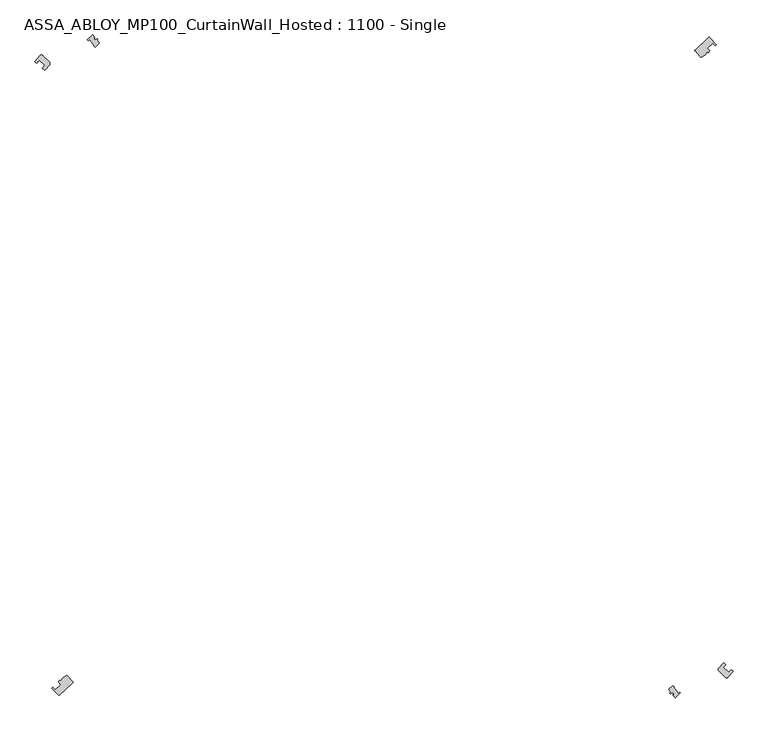
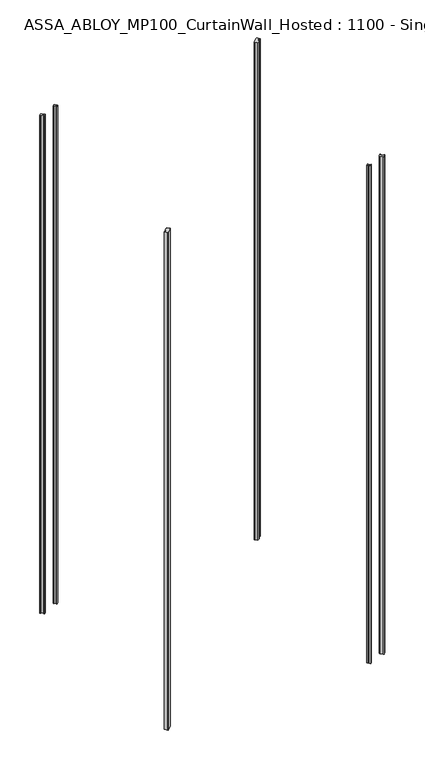
"""IFC4 building model written with IfcOpenShell, lengths in millimetres: plate geometry, ASSA_ABLOY_MP100_CurtainWall_Hosted : 1100 - Single."""

from ifc_helpers import new_model, si_unit, point, frame_2d, origin, origin_with_axes, origin_2d, place, context, project, spatial, polyline, circle_curve, trimmed, segment, composite_curve, outline, extrude, source, transform, mapped, element, save


def assa_abloy_mp100_curtainwall_hosted_1100_single_586d2e13(model_context):
    return source(origin(), model_context, "Body", "SweptSolid", [
        extrude(outline(composite_curve([segment(polyline([(582.351798, 591.9680343), (607.5600955, 615.8230949)]), True, "CONTINUOUS"), segment(trimmed(circle_curve(frame_2d((608.2474379, 615.0967613)), 1.0), [point((607.5600955, 615.8230949))], [point((608.9505677, 615.8078228))], False, "CARTESIAN"), True, "CONTINUOUS"), segment(trimmed(circle_curve(frame_2d((1.0606602, 1.0606602)), 864.5485606), [point((608.9505677, 615.8078228))], [point((622.2818351, 602.3330323))], False, "CARTESIAN"), True, "CONTINUOUS"), segment(polyline([(622.2818351, 602.3330323), (620.1261858, 600.2466056)]), True, "CONTINUOUS"), segment(trimmed(circle_curve(frame_2d((1.0606602, 1.0606602)), 861.5485606), [point((620.1261858, 600.2466056))], [point((615.2374232, 605.2566764))], True, "CARTESIAN"), True, "CONTINUOUS"), segment(polyline([(615.2374232, 605.2566764), (605.1773888, 595.5196922)]), True, "CONTINUOUS"), segment(trimmed(circle_curve(frame_2d((1.0606602, 1.0606602)), 847.5485606), [point((605.1773888, 595.5196922))], [point((610.0664889, 590.5099482))], False, "CARTESIAN"), True, "CONTINUOUS"), segment(polyline([(610.0664889, 590.5099482), (606.5953491, 587.1502744), (605.1105308, 588.7230261), (601.1139654, 583.6223328)]), True, "CONTINUOUS"), segment(trimmed(circle_curve(frame_2d((597.9653595, 586.0893718)), 4.0), [point((601.1139654, 583.6223328))], [point((600.2550939, 582.8095674))], False, "CARTESIAN"), True, "CONTINUOUS"), segment(polyline([(600.2550939, 582.8095674), (594.308426, 578.658012)]), True, "CONTINUOUS"), segment(trimmed(circle_curve(frame_2d((594.0366185, 579.6203636)), 1.0), [point((594.308426, 578.658012))], [point((593.3102849, 578.9330213))], False, "CARTESIAN"), True, "CONTINUOUS"), segment(polyline([(593.3102849, 578.9330213), (582.3128068, 590.5543583)]), True, "CONTINUOUS"), segment(trimmed(circle_curve(frame_2d((583.0391404, 591.2417007)), 1.0), [point((582.3128068, 590.5543583))], [point((582.351798, 591.9680343))], False, "CARTESIAN"), True, "CONTINUOUS")], self_intersect=False)), origin_with_axes(), (0.0, 0.0, 1.0), 3000.0),
        extrude(outline(composite_curve([segment(polyline([(-582.351798, -591.9680343), (-607.5600955, -615.8230949)]), True, "CONTINUOUS"), segment(trimmed(circle_curve(frame_2d((-608.2474379, -615.0967613)), 1.0), [point((-607.5600955, -615.8230949))], [point((-608.9505677, -615.8078228))], False, "CARTESIAN"), True, "CONTINUOUS"), segment(trimmed(circle_curve(frame_2d((-1.0606602, -1.0606602)), 864.5485606), [point((-608.9505677, -615.8078228))], [point((-622.2818351, -602.3330323))], False, "CARTESIAN"), True, "CONTINUOUS"), segment(polyline([(-622.2818351, -602.3330323), (-620.1261858, -600.2466056)]), True, "CONTINUOUS"), segment(trimmed(circle_curve(frame_2d((-1.0606602, -1.0606602)), 861.5485606), [point((-620.1261858, -600.2466056))], [point((-615.2374232, -605.2566764))], True, "CARTESIAN"), True, "CONTINUOUS"), segment(polyline([(-615.2374232, -605.2566764), (-605.1773888, -595.5196922)]), True, "CONTINUOUS"), segment(trimmed(circle_curve(frame_2d((-1.0606602, -1.0606602)), 847.5485606), [point((-605.1773888, -595.5196922))], [point((-610.0664889, -590.5099482))], False, "CARTESIAN"), True, "CONTINUOUS"), segment(polyline([(-610.0664889, -590.5099482), (-606.5953491, -587.1502744), (-605.1105308, -588.7230261), (-601.1139654, -583.6223328)]), True, "CONTINUOUS"), segment(trimmed(circle_curve(frame_2d((-597.9653595, -586.0893718)), 4.0), [point((-601.1139654, -583.6223328))], [point((-600.2550939, -582.8095674))], False, "CARTESIAN"), True, "CONTINUOUS"), segment(polyline([(-600.2550939, -582.8095674), (-594.308426, -578.658012)]), True, "CONTINUOUS"), segment(trimmed(circle_curve(frame_2d((-594.0366185, -579.6203636)), 1.0), [point((-594.308426, -578.658012))], [point((-593.3102849, -578.9330213))], False, "CARTESIAN"), True, "CONTINUOUS"), segment(polyline([(-593.3102849, -578.9330213), (-582.3128068, -590.5543583)]), True, "CONTINUOUS"), segment(trimmed(circle_curve(frame_2d((-583.0391404, -591.2417007)), 1.0), [point((-582.3128068, -590.5543583))], [point((-582.351798, -591.9680343))], False, "CARTESIAN"), True, "CONTINUOUS")], self_intersect=False)), origin_with_axes(), (0.0, 0.0, 1.0), 3000.0),
        extrude(outline(composite_curve([segment(polyline([(-653.4951364, 570.2883399), (-643.8329231, 582.0458794)]), True, "CONTINUOUS"), segment(trimmed(circle_curve(frame_2d((-641.2321773, 579.0067806)), 4.0), [point((-643.8329231, 582.0458794))], [point((-638.4037502, 581.8352077))], False, "CARTESIAN"), True, "CONTINUOUS"), segment(polyline([(-638.4037502, 581.8352077), (-626.434727, 569.8661845)]), True, "CONTINUOUS"), segment(trimmed(circle_curve(frame_2d((-629.2631541, 567.0377574)), 4.0), [point((-626.434727, 569.8661845))], [point((-626.1727293, 564.4982151))], False, "CARTESIAN"), True, "CONTINUOUS"), segment(polyline([(-626.1727293, 564.4982151), (-634.8124058, 553.984403), (-639.7120274, 558.2601763)]), True, "CONTINUOUS"), segment(trimmed(circle_curve(origin_2d(), 849.05), [point((-639.7120274, 558.2601763))], [point((-635.087705, 563.5153143))], False, "CARTESIAN"), True, "CONTINUOUS"), segment(polyline([(-635.087705, 563.5153143), (-645.6362803, 572.7207837)]), True, "CONTINUOUS"), segment(trimmed(circle_curve(origin_2d(), 863.05), [point((-645.6362803, 572.7207837))], [point((-650.26025, 567.4653379))], True, "CARTESIAN"), True, "CONTINUOUS"), segment(polyline([(-650.26025, 567.4653379), (-653.4951364, 570.2883399)]), True, "CONTINUOUS")], self_intersect=False)), origin_with_axes(), (0.0, 0.0, 1.0), 3000.0),
        extrude(outline(composite_curve([segment(polyline([(653.4976941, -570.2852068), (643.8328275, -582.045975)]), True, "CONTINUOUS"), segment(trimmed(circle_curve(frame_2d((641.2317917, -579.0170296)), 3.9924802), [point((643.8328275, -582.045975))], [point((638.4086819, -581.8401394))], False, "CARTESIAN"), True, "CONTINUOUS"), segment(polyline([(638.4086819, -581.8401394), (627.1366342, -570.5680917)]), True, "CONTINUOUS"), segment(trimmed(circle_curve(frame_2d((629.9650613, -567.7396645)), 4.0), [point((627.1366342, -570.5680917))], [point((626.8746365, -565.2001223))], False, "CARTESIAN"), True, "CONTINUOUS"), segment(polyline([(626.8746365, -565.2001223), (635.5595795, -554.6312243), (639.7135447, -558.2562485)]), True, "CONTINUOUS"), segment(trimmed(circle_curve(origin_2d(), 849.0485606), [point((639.7135447, -558.2562485))], [point((635.0892468, -563.511408))], False, "CARTESIAN"), True, "CONTINUOUS"), segment(polyline([(635.0892468, -563.511408), (645.6378649, -572.7168282)]), True, "CONTINUOUS"), segment(trimmed(circle_curve(origin_2d(), 863.0485606), [point((645.6378649, -572.7168282))], [point((650.2618102, -567.4613609))], True, "CARTESIAN"), True, "CONTINUOUS"), segment(polyline([(650.2618102, -567.4613609), (653.4976941, -570.2852068)]), True, "CONTINUOUS")], self_intersect=False)), origin_with_axes(), (0.0, 0.0, 1.0), 3000.0),
        extrude(outline(composite_curve([segment(polyline([(-537.2480995, 610.3730722), (-532.786377, 604.7930857)]), True, "CONTINUOUS"), segment(trimmed(circle_curve(origin_2d(), 806.0), [point((-532.786377, 604.7930857))], [point((-540.9415188, 597.5100612))], True, "CARTESIAN"), True, "CONTINUOUS"), segment(polyline([(-540.9415188, 597.5100612), (-543.262344, 599.8308865), (-542.2203916, 600.6640252), (-550.9634135, 611.5983549), (-553.223034, 609.7915765), (-555.1839864, 611.7525289)]), True, "CONTINUOUS"), segment(trimmed(circle_curve(origin_2d(), 826.1176764), [point((-555.1839864, 611.7525289))], [point((-545.3638497, 620.5229139))], False, "CARTESIAN"), True, "CONTINUOUS"), segment(polyline([(-545.3638497, 620.5229139), (-541.3073597, 615.4497253), (-543.2599186, 613.8884714), (-541.0741631, 611.1548889), (-536.3323718, 613.2310236), (-535.7138773, 612.4575127), (-537.2480995, 610.3730722)]), True, "CONTINUOUS")], self_intersect=False)), origin_with_axes(), (0.0, 0.0, 1.0), 3000.0),
        extrude(outline(composite_curve([segment(polyline([(536.9081623, -610.0331351), (532.786377, -604.7930857)]), True, "CONTINUOUS"), segment(trimmed(circle_curve(origin_2d(), 806.0), [point((532.786377, -604.7930857))], [point((540.9415188, -597.5100612))], True, "CARTESIAN"), True, "CONTINUOUS"), segment(polyline([(540.9415188, -597.5100612), (543.262344, -599.8308865), (542.2203916, -600.6640252), (550.9634136, -611.5983549), (553.223034, -609.7915765), (554.8443552, -611.4128977)]), True, "CONTINUOUS"), segment(trimmed(circle_curve(origin_2d(), 825.6379291), [point((554.8443552, -611.4128977))], [point((545.0239126, -620.1829768))], False, "CARTESIAN"), True, "CONTINUOUS"), segment(polyline([(545.0239126, -620.1829768), (540.9674225, -615.1097882), (542.9199814, -613.5485342), (540.7342259, -610.8149518), (535.9924347, -612.8910865), (535.3739402, -612.1175756), (536.9081623, -610.0331351)]), True, "CONTINUOUS")], self_intersect=False)), origin_with_axes(), (0.0, 0.0, 1.0), 3000.0),
    ])


if __name__ == "__main__":
    model = new_model("IFC4")
    model_context = context("Model", 3, world=origin())
    ifc_project = project(units=[si_unit("LENGTHUNIT", "METRE", prefix="MILLI")], contexts=[model_context])
    site = spatial("IfcSite", under=ifc_project)
    building = spatial("IfcBuilding", under=site)
    placement = place(None, origin())
    assa_abloy_mp100_curtainwall_hosted_1100_single_shape = assa_abloy_mp100_curtainwall_hosted_1100_single_586d2e13(model_context)
    element("IfcPlate", 1, ObjectType="ASSA_ABLOY_MP100_CurtainWall_Hosted : 1100 - Single", at=placement, inside=building, context=model_context, shape_type="MappedRepresentation", body=[
        mapped(assa_abloy_mp100_curtainwall_hosted_1100_single_shape, transform((0.0, 0.0, 0.0), x_axis=(1.0, 0.0, 0.0), y_axis=(0.0, 1.0, 0.0), z_axis=(0.0, 0.0, 1.0))),
    ])
    save(model, "model.ifc")
